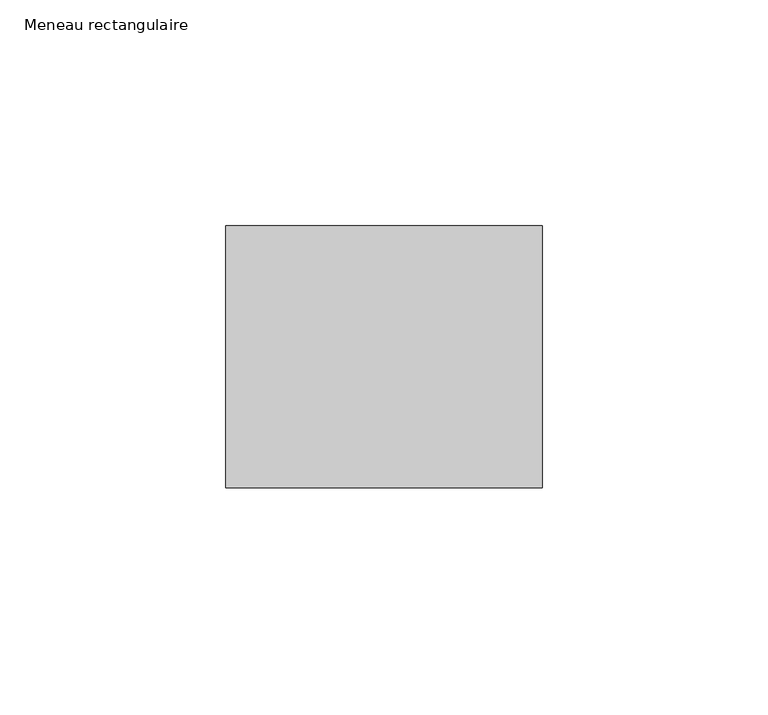
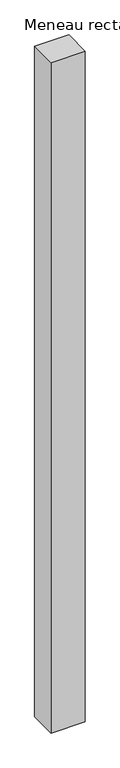
"""IFC4 building model written with IfcOpenShell, lengths in millimetres: member geometry, Meneau rectangulaire."""

import ifcopenshell
import ifcopenshell.guid

model = None  # the IFC model being written
_history = None  # IfcOwnerHistory: only IFC2X3 demands one
_inside = {}  # id of a spatial element -> (the spatial element, [elements in it])
_under = {}  # id of a project, library or spatial element -> (it, [spatial elements below it])
_declared = {}  # id of a project -> (the project, [libraries it declares])
_typed = {}  # id of a type object -> (the type object, [elements of that type])
_made_of = {}  # id of a material, layer set ... -> (it, [elements and type objects made of it])


def new_model(schema):
    """Start an empty IFC model of exactly this schema.

    Asked for "IFC4X3", IfcOpenShell would pick the latest addendum, in which some entities
    have other attributes; the version numbers below select the first issue.
    IFC2X3 requires an IfcOwnerHistory on every rooted entity: one is made here for all.
    """
    global model, _history
    if schema == "IFC4X3":
        model = ifcopenshell.file(schema_version=(4, 3, 0, 0))
    else:
        model = ifcopenshell.file(schema=schema)
    _inside.clear()
    _under.clear()
    _declared.clear()
    _typed.clear()
    _made_of.clear()
    _history = None
    if model.schema == "IFC2X3":
        org = make("IfcOrganization", Name="unknown")
        user = make(
            "IfcPersonAndOrganization",
            ThePerson=make("IfcPerson", FamilyName="unknown"),
            TheOrganization=org,
        )
        app = make(
            "IfcApplication",
            ApplicationDeveloper=org,
            Version="unknown",
            ApplicationFullName="unknown",
            ApplicationIdentifier="unknown",
        )
        _history = make(
            "IfcOwnerHistory",
            OwningUser=user,
            OwningApplication=app,
            ChangeAction="ADDED",
            CreationDate=0,
        )
    return model


def make(cls, **values):
    """One entity of the class cls with the attributes given. An attribute that is None is left unset."""
    return model.create_entity(
        cls, **{name: value for name, value in values.items() if value is not None}
    )


def rooted(cls, **values):
    """An entity with a GlobalId (a new one), such as an element, a storey or a relation."""
    return make(cls, GlobalId=ifcopenshell.guid.new(), OwnerHistory=_history, **values)


def si_unit(unit_type, name, prefix=None):
    """IfcSIUnit, for example si_unit("LENGTHUNIT", "METRE", prefix="MILLI")."""
    return make("IfcSIUnit", UnitType=unit_type, Prefix=prefix, Name=name)


def assignment(units):
    """IfcUnitAssignment: the units of a project."""
    return None if units is None else make("IfcUnitAssignment", Units=units)


def point(xyz):
    """IfcCartesianPoint."""
    return None if xyz is None else make("IfcCartesianPoint", Coordinates=xyz)


def direction(xyz):
    """IfcDirection."""
    return None if xyz is None else make("IfcDirection", DirectionRatios=xyz)


def frame(location, z_axis=None, x_axis=None):
    """IfcAxis2Placement3D, a coordinate frame: its origin and axes. An axis left out is left unset."""
    return make(
        "IfcAxis2Placement3D",
        Location=point(location),
        Axis=direction(z_axis),
        RefDirection=direction(x_axis),
    )


def origin():
    """The frame at (0, 0, 0) with its axes left unset."""
    return frame((0.0, 0.0, 0.0))


def place(relative_to, where):
    """IfcLocalPlacement: puts the frame where relative to a parent placement (None: the world)."""
    return make(
        "IfcLocalPlacement", PlacementRelTo=relative_to, RelativePlacement=where
    )


def context(
    kind, dimensions, precision=None, world=None, true_north=None, identifier=None
):
    """IfcGeometricRepresentationContext, for example the 3D "Model" context."""
    return make(
        "IfcGeometricRepresentationContext",
        ContextIdentifier=identifier,
        ContextType=kind,
        CoordinateSpaceDimension=dimensions,
        Precision=precision,
        WorldCoordinateSystem=world,
        TrueNorth=true_north,
    )


def project(units=None, contexts=None):
    """IfcProject with its units and contexts."""
    return rooted(
        "IfcProject",
        Name="project",
        RepresentationContexts=contexts,
        UnitsInContext=assignment(units),
    )


def spatial(cls, under=None, at=None, **own):
    """A site, building, storey or space (cls), placed at a placement, below another one or the project."""
    s = rooted(cls, ObjectPlacement=at, **own)
    if under is not None:
        _under.setdefault(under.id(), (under, []))[1].append(s)
    return s


def polyline(points):
    """IfcPolyline through the points."""
    return make("IfcPolyline", Points=[point(p) for p in points])


def outline(outer, holes=None, kind="AREA"):
    """IfcArbitraryClosedProfileDef: a profile drawn as a closed curve; with holes, ...WithVoids."""
    if holes is None:
        return make("IfcArbitraryClosedProfileDef", ProfileType=kind, OuterCurve=outer)
    return make(
        "IfcArbitraryProfileDefWithVoids",
        ProfileType=kind,
        OuterCurve=outer,
        InnerCurves=holes,
    )


def extrude(swept, where, along, depth):
    """IfcExtrudedAreaSolid: the profile swept, set in the frame where, extruded along a direction by depth."""
    return make(
        "IfcExtrudedAreaSolid",
        SweptArea=swept,
        Position=where,
        ExtrudedDirection=direction(along),
        Depth=depth,
    )


def shape(context_of_items, identifier, shape_type, items):
    """IfcShapeRepresentation: the items that make up one representation, for example the "Body"."""
    return make(
        "IfcShapeRepresentation",
        ContextOfItems=context_of_items,
        RepresentationIdentifier=identifier,
        RepresentationType=shape_type,
        Items=items,
    )


def source(mapping_origin, context_of_items, identifier, shape_type, items):
    """IfcRepresentationMap: a shape defined once, which mapped items show again and again."""
    return make(
        "IfcRepresentationMap",
        MappingOrigin=mapping_origin,
        MappedRepresentation=shape(context_of_items, identifier, shape_type, items),
    )


def transform(
    local_origin,
    x_axis=None,
    y_axis=None,
    z_axis=None,
    scale=None,
    scale2=None,
    scale3=None,
    uniform=True,
):
    """IfcCartesianTransformationOperator3D, or its non-uniform kind. x_axis, y_axis, z_axis: its Axis1, 2, 3."""
    if uniform:
        return make(
            "IfcCartesianTransformationOperator3D",
            Axis1=direction(x_axis),
            Axis2=direction(y_axis),
            LocalOrigin=point(local_origin),
            Scale=scale,
            Axis3=direction(z_axis),
        )
    return make(
        "IfcCartesianTransformationOperator3DnonUniform",
        Axis1=direction(x_axis),
        Axis2=direction(y_axis),
        LocalOrigin=point(local_origin),
        Scale=scale,
        Axis3=direction(z_axis),
        Scale2=scale2,
        Scale3=scale3,
    )


def mapped(mapping_source, mapping_target):
    """IfcMappedItem: shows the shape of a source again, moved by a transform."""
    return make(
        "IfcMappedItem", MappingSource=mapping_source, MappingTarget=mapping_target
    )


def made_of(thing, what):
    """Note that an element or type object is made of a material, layer set ...; save() writes the relation."""
    if what is not None:
        _made_of.setdefault(what.id(), (what, []))[1].append(thing)
    return thing


def element(
    cls,
    number,
    at=None,
    inside=None,
    cuts=None,
    type_object=None,
    material=None,
    context=None,
    identifier="Body",
    shape_type=None,
    held_by="IfcProductDefinitionShape",
    body=None,
    shapes=None,
    **own,
):
    """One element of the class cls, such as IfcWall. Its Tag is "e" and its number.

    at: its placement. inside: the storey or other place that contains it. cuts: it is an
    opening in that element (IfcRelVoidsElement). A single representation is given by context,
    identifier, shape_type and body (its items); several are given by shapes. held_by: the class
    of the entity that holds the representations. save() writes the other relations.
    """
    e = rooted(cls, Tag="e%d" % number, ObjectPlacement=at, **own)
    if body is not None:
        shapes = [shape(context, identifier, shape_type, body)]
    if shapes is not None:
        e.Representation = make(held_by, Representations=shapes)
    if inside is not None:
        _inside.setdefault(inside.id(), (inside, []))[1].append(e)
    if cuts is not None:
        rooted(
            "IfcRelVoidsElement", RelatingBuildingElement=cuts, RelatedOpeningElement=e
        )
    if type_object is not None:
        _typed.setdefault(type_object.id(), (type_object, []))[1].append(e)
    return made_of(e, material)


def aggregate(whole, parts):
    """IfcRelAggregates: a whole, such as a stair, and the parts it consists of."""
    return rooted("IfcRelAggregates", RelatingObject=whole, RelatedObjects=parts)


def save(model, path):
    """Write the relations noted so far, then the file.

    IfcRelAggregates (storeys below a building ...), IfcRelContainedInSpatialStructure (elements
    in a storey), IfcRelDefinesByType, IfcRelAssociatesMaterial and IfcRelDeclares: one each for
    every whole, place, type object, material and project.
    """
    for whole, parts in _under.values():
        aggregate(whole, parts)
    for where, things in _inside.values():
        rooted(
            "IfcRelContainedInSpatialStructure",
            RelatedElements=things,
            RelatingStructure=where,
        )
    for kind, things in _typed.values():
        rooted("IfcRelDefinesByType", RelatedObjects=things, RelatingType=kind)
    for what, things in _made_of.values():
        rooted("IfcRelAssociatesMaterial", RelatedObjects=things, RelatingMaterial=what)
    for by, libraries in _declared.values():
        rooted("IfcRelDeclares", RelatingContext=by, RelatedDefinitions=libraries)
    model.write(path)


def meneau_rectangulaire_35c6ef72(model_context):
    return source(origin(), model_context, "Body", "SweptSolid", [
        extrude(outline(polyline([(0.0, 29.0), (0.0, -29.0), (-70.0, -29.0), (-70.0, 29.0), (0.0, 29.0)])), frame((0.0, 0.0, -1450.3333335), z_axis=(0.0, 0.0, 1.0), x_axis=(1.0, 0.0, 0.0)), (0.0, 0.0, 1.0), 1450.3333335),
    ])


if __name__ == "__main__":
    model = new_model("IFC4")
    model_context = context("Model", 3, world=origin())
    ifc_project = project(units=[si_unit("LENGTHUNIT", "METRE", prefix="MILLI")], contexts=[model_context])
    site = spatial("IfcSite", under=ifc_project)
    building = spatial("IfcBuilding", under=site)
    placement = place(None, origin())
    meneau_rectangulaire_shape = meneau_rectangulaire_35c6ef72(model_context)
    element("IfcMember", 1, ObjectType="Meneau rectangulaire", at=placement, inside=building, context=model_context, shape_type="MappedRepresentation", body=[
        mapped(meneau_rectangulaire_shape, transform((0.0, 0.0, 0.0), x_axis=(1.0, 0.0, 0.0), y_axis=(0.0, 1.0, 0.0), z_axis=(0.0, 0.0, 1.0))),
    ])
    save(model, "model.ifc")
